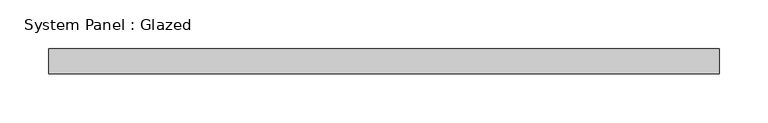
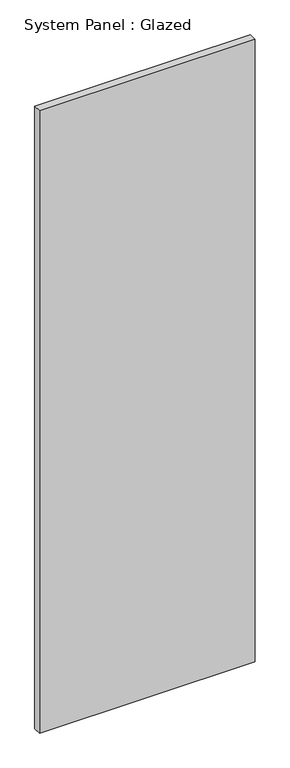
"""IFC4 building model written with IfcOpenShell, lengths in millimetres: plate geometry, System Panel : Glazed."""

from ifc_helpers import new_model, si_unit, origin, origin_with_axes, place, context, project, spatial, polyline, outline, extrude, source, transform, mapped, element, save


def system_panel_glazed_b43db674(model_context):
    return source(origin(), model_context, "Body", "SweptSolid", [
        extrude(outline(polyline([(342.9, 19.05), (-342.9, 19.05), (-342.9, 44.45), (342.9, 44.45), (342.9, 19.05)])), origin_with_axes(), (0.0, 0.0, 1.0), 2089.15),
    ])


if __name__ == "__main__":
    model = new_model("IFC4")
    model_context = context("Model", 3, world=origin())
    ifc_project = project(units=[si_unit("LENGTHUNIT", "METRE", prefix="MILLI")], contexts=[model_context])
    site = spatial("IfcSite", under=ifc_project)
    building = spatial("IfcBuilding", under=site)
    placement = place(None, origin())
    system_panel_glazed_shape = system_panel_glazed_b43db674(model_context)
    element("IfcPlate", 1, ObjectType="System Panel : Glazed", at=placement, inside=building, context=model_context, shape_type="MappedRepresentation", body=[
        mapped(system_panel_glazed_shape, transform((0.0, 0.0, 0.0), x_axis=(1.0, 0.0, 0.0), y_axis=(0.0, 1.0, 0.0), z_axis=(0.0, 0.0, 1.0))),
    ])
    save(model, "model.ifc")
